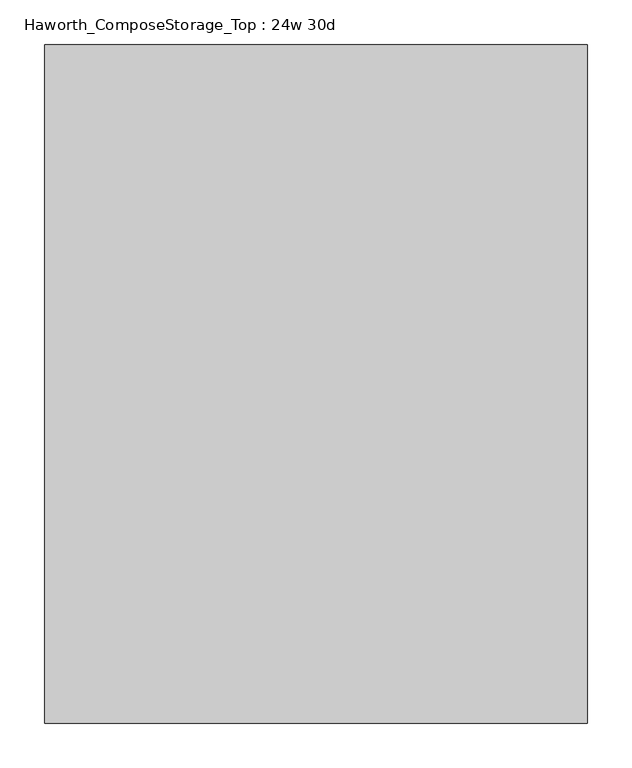
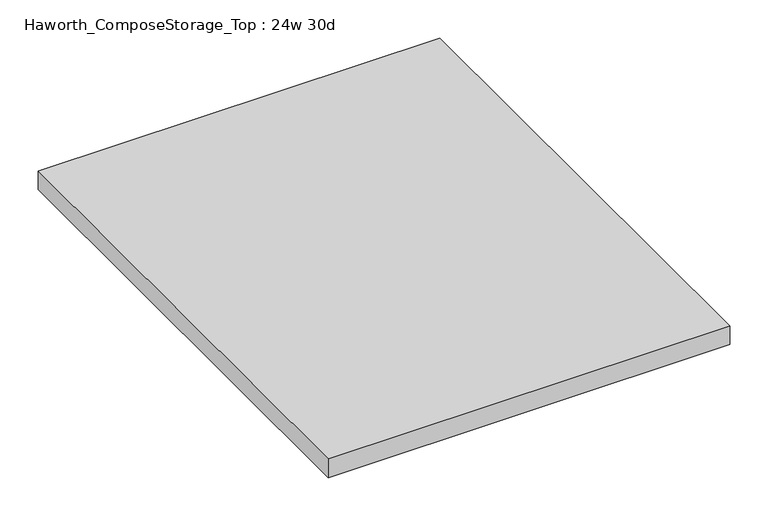
"""IFC4 building model written with IfcOpenShell, lengths in millimetres: furniture geometry, Haworth_ComposeStorage_Top : 24w 30d."""

from ifc_helpers import new_model, si_unit, frame, origin, place, context, project, spatial, polyline, outline, extrude, source, transform, mapped, element, save


def haworth_composestorage_top_24w_30d_f1cb7b95(model_context):
    return source(origin(), model_context, "Body", "SweptSolid", [
        extrude(outline(polyline([(304.8, 381.0), (304.8, -381.0), (-304.8, -381.0), (-304.8, 381.0), (304.8, 381.0)])), frame((0.0, 0.0, 706.4375), z_axis=(0.0, 0.0, 1.0), x_axis=(1.0, 0.0, 0.0)), (0.0, 0.0, 1.0), 30.1625),
    ])


if __name__ == "__main__":
    model = new_model("IFC4")
    model_context = context("Model", 3, world=origin())
    ifc_project = project(units=[si_unit("LENGTHUNIT", "METRE", prefix="MILLI")], contexts=[model_context])
    site = spatial("IfcSite", under=ifc_project)
    building = spatial("IfcBuilding", under=site)
    placement = place(None, origin())
    haworth_composestorage_top_24w_30d_shape = haworth_composestorage_top_24w_30d_f1cb7b95(model_context)
    element("IfcFurniture", 1, ObjectType="Haworth_ComposeStorage_Top : 24w 30d", at=placement, inside=building, context=model_context, shape_type="MappedRepresentation", body=[
        mapped(haworth_composestorage_top_24w_30d_shape, transform((0.0, 0.0, 0.0), x_axis=(1.0, 0.0, 0.0), y_axis=(0.0, 1.0, 0.0), z_axis=(0.0, 0.0, 1.0))),
    ])
    save(model, "model.ifc")
